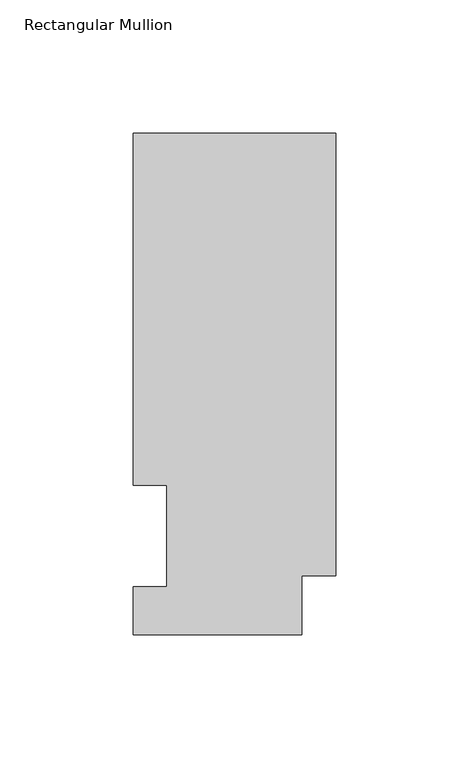
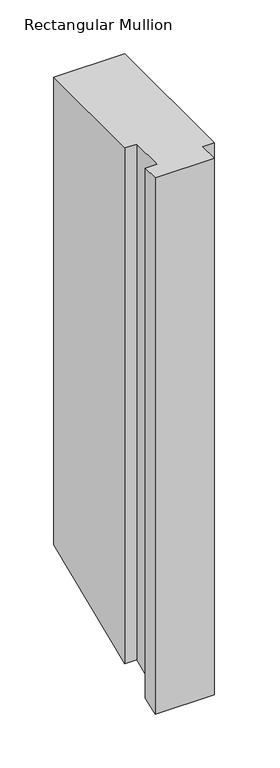
"""IFC4 building model written with IfcOpenShell, lengths in millimetres: member geometry, Rectangular Mullion."""

import ifcopenshell
import ifcopenshell.guid

model = None  # the IFC model being written
_history = None  # IfcOwnerHistory: only IFC2X3 demands one
_inside = {}  # id of a spatial element -> (the spatial element, [elements in it])
_under = {}  # id of a project, library or spatial element -> (it, [spatial elements below it])
_declared = {}  # id of a project -> (the project, [libraries it declares])
_typed = {}  # id of a type object -> (the type object, [elements of that type])
_made_of = {}  # id of a material, layer set ... -> (it, [elements and type objects made of it])


def new_model(schema):
    """Start an empty IFC model of exactly this schema.

    Asked for "IFC4X3", IfcOpenShell would pick the latest addendum, in which some entities
    have other attributes; the version numbers below select the first issue.
    IFC2X3 requires an IfcOwnerHistory on every rooted entity: one is made here for all.
    """
    global model, _history
    if schema == "IFC4X3":
        model = ifcopenshell.file(schema_version=(4, 3, 0, 0))
    else:
        model = ifcopenshell.file(schema=schema)
    _inside.clear()
    _under.clear()
    _declared.clear()
    _typed.clear()
    _made_of.clear()
    _history = None
    if model.schema == "IFC2X3":
        org = make("IfcOrganization", Name="unknown")
        user = make(
            "IfcPersonAndOrganization",
            ThePerson=make("IfcPerson", FamilyName="unknown"),
            TheOrganization=org,
        )
        app = make(
            "IfcApplication",
            ApplicationDeveloper=org,
            Version="unknown",
            ApplicationFullName="unknown",
            ApplicationIdentifier="unknown",
        )
        _history = make(
            "IfcOwnerHistory",
            OwningUser=user,
            OwningApplication=app,
            ChangeAction="ADDED",
            CreationDate=0,
        )
    return model


def make(cls, **values):
    """One entity of the class cls with the attributes given. An attribute that is None is left unset."""
    return model.create_entity(
        cls, **{name: value for name, value in values.items() if value is not None}
    )


def rooted(cls, **values):
    """An entity with a GlobalId (a new one), such as an element, a storey or a relation."""
    return make(cls, GlobalId=ifcopenshell.guid.new(), OwnerHistory=_history, **values)


def si_unit(unit_type, name, prefix=None):
    """IfcSIUnit, for example si_unit("LENGTHUNIT", "METRE", prefix="MILLI")."""
    return make("IfcSIUnit", UnitType=unit_type, Prefix=prefix, Name=name)


def assignment(units):
    """IfcUnitAssignment: the units of a project."""
    return None if units is None else make("IfcUnitAssignment", Units=units)


def point(xyz):
    """IfcCartesianPoint."""
    return None if xyz is None else make("IfcCartesianPoint", Coordinates=xyz)


def direction(xyz):
    """IfcDirection."""
    return None if xyz is None else make("IfcDirection", DirectionRatios=xyz)


def frame(location, z_axis=None, x_axis=None):
    """IfcAxis2Placement3D, a coordinate frame: its origin and axes. An axis left out is left unset."""
    return make(
        "IfcAxis2Placement3D",
        Location=point(location),
        Axis=direction(z_axis),
        RefDirection=direction(x_axis),
    )


def origin():
    """The frame at (0, 0, 0) with its axes left unset."""
    return frame((0.0, 0.0, 0.0))


def place(relative_to, where):
    """IfcLocalPlacement: puts the frame where relative to a parent placement (None: the world)."""
    return make(
        "IfcLocalPlacement", PlacementRelTo=relative_to, RelativePlacement=where
    )


def context(
    kind, dimensions, precision=None, world=None, true_north=None, identifier=None
):
    """IfcGeometricRepresentationContext, for example the 3D "Model" context."""
    return make(
        "IfcGeometricRepresentationContext",
        ContextIdentifier=identifier,
        ContextType=kind,
        CoordinateSpaceDimension=dimensions,
        Precision=precision,
        WorldCoordinateSystem=world,
        TrueNorth=true_north,
    )


def project(units=None, contexts=None):
    """IfcProject with its units and contexts."""
    return rooted(
        "IfcProject",
        Name="project",
        RepresentationContexts=contexts,
        UnitsInContext=assignment(units),
    )


def spatial(cls, under=None, at=None, **own):
    """A site, building, storey or space (cls), placed at a placement, below another one or the project."""
    s = rooted(cls, ObjectPlacement=at, **own)
    if under is not None:
        _under.setdefault(under.id(), (under, []))[1].append(s)
    return s


def faces_of(points, faces, orient=None, outer=None):
    """IfcFace entities. A face is a list of loops; a loop is a list of indices into points, from 0.

    orient and outer hold one flag for each loop. By default every Orientation is true, the
    first loop of a face is its IfcFaceOuterBound and the others are IfcFaceBound.
    """
    made = []
    for i, loops in enumerate(faces):
        bounds = []
        for j, loop in enumerate(loops):
            is_outer = j == 0 if outer is None else outer[i][j]
            bounds.append(
                make(
                    "IfcFaceOuterBound" if is_outer else "IfcFaceBound",
                    Bound=make("IfcPolyLoop", Polygon=[points[k] for k in loop]),
                    Orientation=True if orient is None else orient[i][j],
                )
            )
        made.append(make("IfcFace", Bounds=bounds))
    return made


def faceted_brep(points, faces, orient=None, outer=None, voids=None):
    """IfcFacetedBrep: a solid bounded by flat faces; with voids (closed shells), ...WithVoids."""
    shared = [point(p) for p in points]
    hull = make("IfcClosedShell", CfsFaces=faces_of(shared, faces, orient, outer))
    if voids is None:
        return make("IfcFacetedBrep", Outer=hull)
    return make(
        "IfcFacetedBrepWithVoids",
        Outer=hull,
        Voids=[
            make(cls, CfsFaces=faces_of(shared, fs, o, b)) for cls, fs, o, b in voids
        ],
    )


def shape(context_of_items, identifier, shape_type, items):
    """IfcShapeRepresentation: the items that make up one representation, for example the "Body"."""
    return make(
        "IfcShapeRepresentation",
        ContextOfItems=context_of_items,
        RepresentationIdentifier=identifier,
        RepresentationType=shape_type,
        Items=items,
    )


def source(mapping_origin, context_of_items, identifier, shape_type, items):
    """IfcRepresentationMap: a shape defined once, which mapped items show again and again."""
    return make(
        "IfcRepresentationMap",
        MappingOrigin=mapping_origin,
        MappedRepresentation=shape(context_of_items, identifier, shape_type, items),
    )


def transform(
    local_origin,
    x_axis=None,
    y_axis=None,
    z_axis=None,
    scale=None,
    scale2=None,
    scale3=None,
    uniform=True,
):
    """IfcCartesianTransformationOperator3D, or its non-uniform kind. x_axis, y_axis, z_axis: its Axis1, 2, 3."""
    if uniform:
        return make(
            "IfcCartesianTransformationOperator3D",
            Axis1=direction(x_axis),
            Axis2=direction(y_axis),
            LocalOrigin=point(local_origin),
            Scale=scale,
            Axis3=direction(z_axis),
        )
    return make(
        "IfcCartesianTransformationOperator3DnonUniform",
        Axis1=direction(x_axis),
        Axis2=direction(y_axis),
        LocalOrigin=point(local_origin),
        Scale=scale,
        Axis3=direction(z_axis),
        Scale2=scale2,
        Scale3=scale3,
    )


def mapped(mapping_source, mapping_target):
    """IfcMappedItem: shows the shape of a source again, moved by a transform."""
    return make(
        "IfcMappedItem", MappingSource=mapping_source, MappingTarget=mapping_target
    )


def made_of(thing, what):
    """Note that an element or type object is made of a material, layer set ...; save() writes the relation."""
    if what is not None:
        _made_of.setdefault(what.id(), (what, []))[1].append(thing)
    return thing


def element(
    cls,
    number,
    at=None,
    inside=None,
    cuts=None,
    type_object=None,
    material=None,
    context=None,
    identifier="Body",
    shape_type=None,
    held_by="IfcProductDefinitionShape",
    body=None,
    shapes=None,
    **own,
):
    """One element of the class cls, such as IfcWall. Its Tag is "e" and its number.

    at: its placement. inside: the storey or other place that contains it. cuts: it is an
    opening in that element (IfcRelVoidsElement). A single representation is given by context,
    identifier, shape_type and body (its items); several are given by shapes. held_by: the class
    of the entity that holds the representations. save() writes the other relations.
    """
    e = rooted(cls, Tag="e%d" % number, ObjectPlacement=at, **own)
    if body is not None:
        shapes = [shape(context, identifier, shape_type, body)]
    if shapes is not None:
        e.Representation = make(held_by, Representations=shapes)
    if inside is not None:
        _inside.setdefault(inside.id(), (inside, []))[1].append(e)
    if cuts is not None:
        rooted(
            "IfcRelVoidsElement", RelatingBuildingElement=cuts, RelatedOpeningElement=e
        )
    if type_object is not None:
        _typed.setdefault(type_object.id(), (type_object, []))[1].append(e)
    return made_of(e, material)


def aggregate(whole, parts):
    """IfcRelAggregates: a whole, such as a stair, and the parts it consists of."""
    return rooted("IfcRelAggregates", RelatingObject=whole, RelatedObjects=parts)


def save(model, path):
    """Write the relations noted so far, then the file.

    IfcRelAggregates (storeys below a building ...), IfcRelContainedInSpatialStructure (elements
    in a storey), IfcRelDefinesByType, IfcRelAssociatesMaterial and IfcRelDeclares: one each for
    every whole, place, type object, material and project.
    """
    for whole, parts in _under.values():
        aggregate(whole, parts)
    for where, things in _inside.values():
        rooted(
            "IfcRelContainedInSpatialStructure",
            RelatedElements=things,
            RelatingStructure=where,
        )
    for kind, things in _typed.values():
        rooted("IfcRelDefinesByType", RelatedObjects=things, RelatingType=kind)
    for what, things in _made_of.values():
        rooted("IfcRelAssociatesMaterial", RelatedObjects=things, RelatingMaterial=what)
    for by, libraries in _declared.values():
        rooted("IfcRelDeclares", RelatingContext=by, RelatedDefinitions=libraries)
    model.write(path)


def rectangular_mullion_04bfb3a8(model_context):
    return source(origin(), model_context, "Body", "Brep", [
        faceted_brep([(-76.2, 189.0897822, 0.0), (-76.2, 56.6539062, 0.0), (-63.5762, 56.6539062, 0.0), (-63.5762, 18.5539063, 0.0), (-76.2, 18.5539063, 0.0), (-76.2, 0.5199062, 0.0), (-12.7, 0.5199062, 0.0), (-12.7, 22.6195299, 0.0), (0.0, 22.6195299, 0.0), (0.0, 189.0897822, 0.0), (-76.2, 189.0897822, -531.2764477), (-76.2, 56.6539062, -586.1331837), (-63.5762, 56.6539062, -586.1331837), (-63.5762, 18.5539063, -601.9147204), (-76.2, 18.5539063, -601.9147204), (-76.2, 0.5199062, -609.3846478), (-12.7, 0.5199062, -609.3846478), (-12.7, 22.6195299, -600.2306839), (0.0, 22.6195299, -600.2306839), (0.0, 189.0897822, -531.2764477)], [[[0, 1, 2, 3, 4, 5, 6, 7, 8, 9]], [[1, 0, 10, 11]], [[2, 1, 11, 12]], [[3, 2, 12, 13]], [[4, 3, 13, 14]], [[5, 4, 14, 15]], [[6, 5, 15, 16]], [[7, 6, 16, 17]], [[8, 7, 17, 18]], [[9, 8, 18, 19]], [[0, 9, 19, 10]], [[10, 19, 18, 17, 16, 15, 14, 13, 12, 11]]]),
    ])


if __name__ == "__main__":
    model = new_model("IFC4")
    model_context = context("Model", 3, world=origin())
    ifc_project = project(units=[si_unit("LENGTHUNIT", "METRE", prefix="MILLI")], contexts=[model_context])
    site = spatial("IfcSite", under=ifc_project)
    building = spatial("IfcBuilding", under=site)
    placement = place(None, origin())
    rectangular_mullion_shape = rectangular_mullion_04bfb3a8(model_context)
    element("IfcMember", 1, ObjectType="Rectangular Mullion", at=placement, inside=building, context=model_context, shape_type="MappedRepresentation", body=[
        mapped(rectangular_mullion_shape, transform((0.0, 0.0, 0.0), x_axis=(1.0, 0.0, 0.0), y_axis=(0.0, 1.0, 0.0), z_axis=(0.0, 0.0, 1.0))),
    ])
    save(model, "model.ifc")
